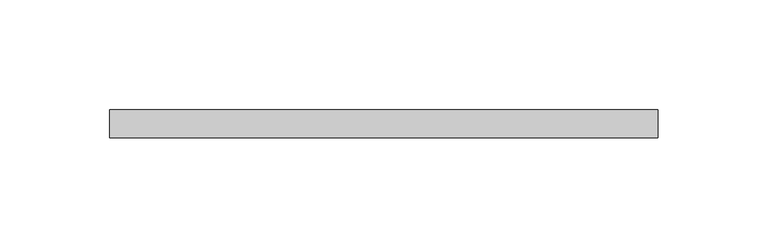
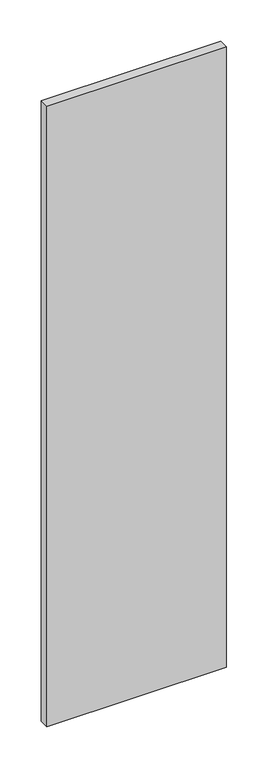
"""IFC4 building model written with IfcOpenShell, lengths in millimetres: proxy geometry."""

from ifc_helpers import new_model, si_unit, frame, origin, place, context, project, spatial, polyline, outline, extrude, source, transform, mapped, element, save


def generic_models_b8551367(model_context):
    return source(origin(), model_context, "Body", "SweptSolid", [
        extrude(outline(polyline([(37088.4823986, -24052.6529893), (37088.4823986, -24039.9529893), (37338.5710168, -24039.9529893), (37338.5710168, -24052.6529893), (37088.4823986, -24052.6529893)])), frame((0.0, 0.0, 1524.0), z_axis=(0.0, 0.0, 1.0), x_axis=(1.0, 0.0, 0.0)), (0.0, 0.0, 1.0), 914.4),
    ])


if __name__ == "__main__":
    model = new_model("IFC4")
    model_context = context("Model", 3, world=origin())
    ifc_project = project(units=[si_unit("LENGTHUNIT", "METRE", prefix="MILLI")], contexts=[model_context])
    site = spatial("IfcSite", under=ifc_project)
    building = spatial("IfcBuilding", under=site)
    placement = place(None, origin())
    generic_models_shape = generic_models_b8551367(model_context)
    element("IfcBuildingElementProxy", 1, Name="Generic Models", at=placement, inside=building, context=model_context, shape_type="MappedRepresentation", body=[
        mapped(generic_models_shape, transform((0.0, 0.0, 0.0), x_axis=(1.0, 0.0, 0.0), y_axis=(0.0, 1.0, 0.0), z_axis=(0.0, 0.0, 1.0))),
    ])
    save(model, "model.ifc")
